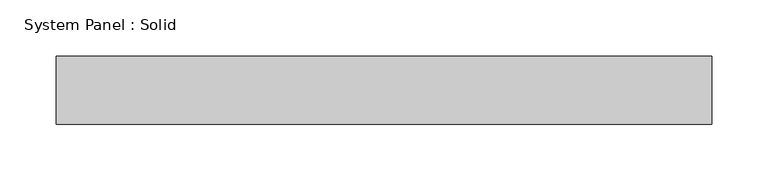
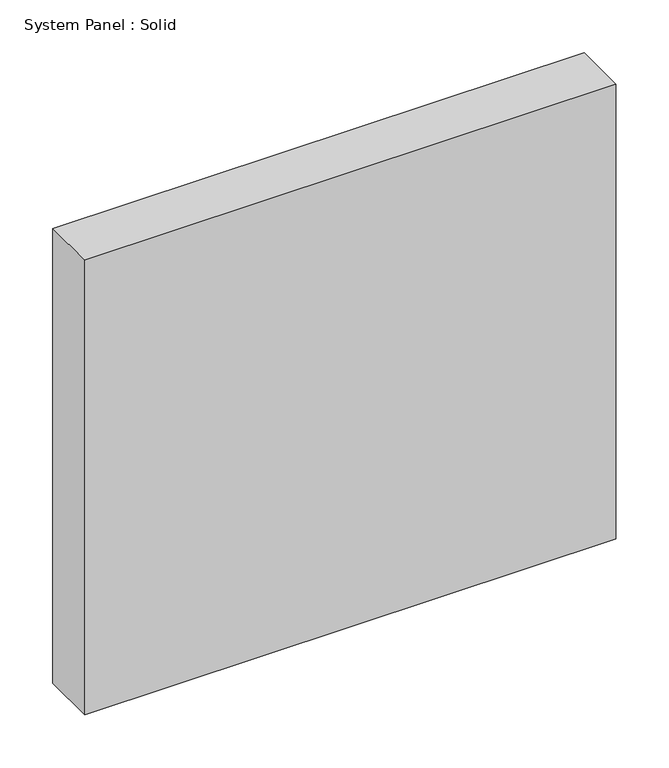
"""IFC4 building model written with IfcOpenShell, lengths in millimetres: plate geometry, System Panel : Solid."""

from ifc_helpers import new_model, si_unit, origin, origin_with_axes, place, context, project, spatial, polyline, outline, extrude, source, transform, mapped, element, save


def system_panel_solid_c9bc009b(model_context):
    return source(origin(), model_context, "Body", "SweptSolid", [
        extrude(outline(polyline([(290.0, -49.5), (-290.0, -49.5), (-290.0, 10.5), (290.0, 10.5), (290.0, -49.5)])), origin_with_axes(), (0.0, 0.0, 1.0), 525.0),
    ])


if __name__ == "__main__":
    model = new_model("IFC4")
    model_context = context("Model", 3, world=origin())
    ifc_project = project(units=[si_unit("LENGTHUNIT", "METRE", prefix="MILLI")], contexts=[model_context])
    site = spatial("IfcSite", under=ifc_project)
    building = spatial("IfcBuilding", under=site)
    placement = place(None, origin())
    system_panel_solid_shape = system_panel_solid_c9bc009b(model_context)
    element("IfcPlate", 1, ObjectType="System Panel : Solid", at=placement, inside=building, context=model_context, shape_type="MappedRepresentation", body=[
        mapped(system_panel_solid_shape, transform((0.0, 0.0, 0.0), x_axis=(1.0, 0.0, 0.0), y_axis=(0.0, 1.0, 0.0), z_axis=(0.0, 0.0, 1.0))),
    ])
    save(model, "model.ifc")
